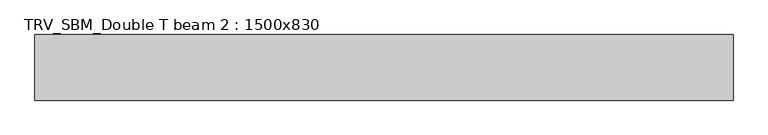
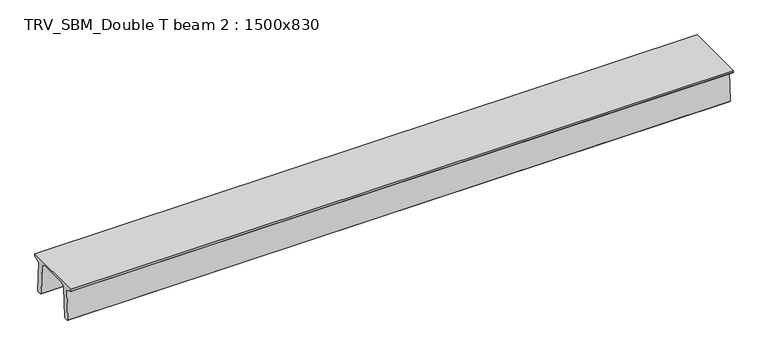
"""IFC4 building model written with IfcOpenShell, lengths in millimetres: beam geometry, TRV_SBM_Double T beam 2 : 1500x830."""

import ifcopenshell
import ifcopenshell.guid

model = None  # the IFC model being written
_history = None  # IfcOwnerHistory: only IFC2X3 demands one
_inside = {}  # id of a spatial element -> (the spatial element, [elements in it])
_under = {}  # id of a project, library or spatial element -> (it, [spatial elements below it])
_declared = {}  # id of a project -> (the project, [libraries it declares])
_typed = {}  # id of a type object -> (the type object, [elements of that type])
_made_of = {}  # id of a material, layer set ... -> (it, [elements and type objects made of it])


def new_model(schema):
    """Start an empty IFC model of exactly this schema.

    Asked for "IFC4X3", IfcOpenShell would pick the latest addendum, in which some entities
    have other attributes; the version numbers below select the first issue.
    IFC2X3 requires an IfcOwnerHistory on every rooted entity: one is made here for all.
    """
    global model, _history
    if schema == "IFC4X3":
        model = ifcopenshell.file(schema_version=(4, 3, 0, 0))
    else:
        model = ifcopenshell.file(schema=schema)
    _inside.clear()
    _under.clear()
    _declared.clear()
    _typed.clear()
    _made_of.clear()
    _history = None
    if model.schema == "IFC2X3":
        org = make("IfcOrganization", Name="unknown")
        user = make(
            "IfcPersonAndOrganization",
            ThePerson=make("IfcPerson", FamilyName="unknown"),
            TheOrganization=org,
        )
        app = make(
            "IfcApplication",
            ApplicationDeveloper=org,
            Version="unknown",
            ApplicationFullName="unknown",
            ApplicationIdentifier="unknown",
        )
        _history = make(
            "IfcOwnerHistory",
            OwningUser=user,
            OwningApplication=app,
            ChangeAction="ADDED",
            CreationDate=0,
        )
    return model


def make(cls, **values):
    """One entity of the class cls with the attributes given. An attribute that is None is left unset."""
    return model.create_entity(
        cls, **{name: value for name, value in values.items() if value is not None}
    )


def rooted(cls, **values):
    """An entity with a GlobalId (a new one), such as an element, a storey or a relation."""
    return make(cls, GlobalId=ifcopenshell.guid.new(), OwnerHistory=_history, **values)


def si_unit(unit_type, name, prefix=None):
    """IfcSIUnit, for example si_unit("LENGTHUNIT", "METRE", prefix="MILLI")."""
    return make("IfcSIUnit", UnitType=unit_type, Prefix=prefix, Name=name)


def assignment(units):
    """IfcUnitAssignment: the units of a project."""
    return None if units is None else make("IfcUnitAssignment", Units=units)


def point(xyz):
    """IfcCartesianPoint."""
    return None if xyz is None else make("IfcCartesianPoint", Coordinates=xyz)


def direction(xyz):
    """IfcDirection."""
    return None if xyz is None else make("IfcDirection", DirectionRatios=xyz)


def frame(location, z_axis=None, x_axis=None):
    """IfcAxis2Placement3D, a coordinate frame: its origin and axes. An axis left out is left unset."""
    return make(
        "IfcAxis2Placement3D",
        Location=point(location),
        Axis=direction(z_axis),
        RefDirection=direction(x_axis),
    )


def origin():
    """The frame at (0, 0, 0) with its axes left unset."""
    return frame((0.0, 0.0, 0.0))


def place(relative_to, where):
    """IfcLocalPlacement: puts the frame where relative to a parent placement (None: the world)."""
    return make(
        "IfcLocalPlacement", PlacementRelTo=relative_to, RelativePlacement=where
    )


def context(
    kind, dimensions, precision=None, world=None, true_north=None, identifier=None
):
    """IfcGeometricRepresentationContext, for example the 3D "Model" context."""
    return make(
        "IfcGeometricRepresentationContext",
        ContextIdentifier=identifier,
        ContextType=kind,
        CoordinateSpaceDimension=dimensions,
        Precision=precision,
        WorldCoordinateSystem=world,
        TrueNorth=true_north,
    )


def project(units=None, contexts=None):
    """IfcProject with its units and contexts."""
    return rooted(
        "IfcProject",
        Name="project",
        RepresentationContexts=contexts,
        UnitsInContext=assignment(units),
    )


def spatial(cls, under=None, at=None, **own):
    """A site, building, storey or space (cls), placed at a placement, below another one or the project."""
    s = rooted(cls, ObjectPlacement=at, **own)
    if under is not None:
        _under.setdefault(under.id(), (under, []))[1].append(s)
    return s


def polyline(points):
    """IfcPolyline through the points."""
    return make("IfcPolyline", Points=[point(p) for p in points])


def outline(outer, holes=None, kind="AREA"):
    """IfcArbitraryClosedProfileDef: a profile drawn as a closed curve; with holes, ...WithVoids."""
    if holes is None:
        return make("IfcArbitraryClosedProfileDef", ProfileType=kind, OuterCurve=outer)
    return make(
        "IfcArbitraryProfileDefWithVoids",
        ProfileType=kind,
        OuterCurve=outer,
        InnerCurves=holes,
    )


def extrude(swept, where, along, depth):
    """IfcExtrudedAreaSolid: the profile swept, set in the frame where, extruded along a direction by depth."""
    return make(
        "IfcExtrudedAreaSolid",
        SweptArea=swept,
        Position=where,
        ExtrudedDirection=direction(along),
        Depth=depth,
    )


def shape(context_of_items, identifier, shape_type, items):
    """IfcShapeRepresentation: the items that make up one representation, for example the "Body"."""
    return make(
        "IfcShapeRepresentation",
        ContextOfItems=context_of_items,
        RepresentationIdentifier=identifier,
        RepresentationType=shape_type,
        Items=items,
    )


def source(mapping_origin, context_of_items, identifier, shape_type, items):
    """IfcRepresentationMap: a shape defined once, which mapped items show again and again."""
    return make(
        "IfcRepresentationMap",
        MappingOrigin=mapping_origin,
        MappedRepresentation=shape(context_of_items, identifier, shape_type, items),
    )


def transform(
    local_origin,
    x_axis=None,
    y_axis=None,
    z_axis=None,
    scale=None,
    scale2=None,
    scale3=None,
    uniform=True,
):
    """IfcCartesianTransformationOperator3D, or its non-uniform kind. x_axis, y_axis, z_axis: its Axis1, 2, 3."""
    if uniform:
        return make(
            "IfcCartesianTransformationOperator3D",
            Axis1=direction(x_axis),
            Axis2=direction(y_axis),
            LocalOrigin=point(local_origin),
            Scale=scale,
            Axis3=direction(z_axis),
        )
    return make(
        "IfcCartesianTransformationOperator3DnonUniform",
        Axis1=direction(x_axis),
        Axis2=direction(y_axis),
        LocalOrigin=point(local_origin),
        Scale=scale,
        Axis3=direction(z_axis),
        Scale2=scale2,
        Scale3=scale3,
    )


def mapped(mapping_source, mapping_target):
    """IfcMappedItem: shows the shape of a source again, moved by a transform."""
    return make(
        "IfcMappedItem", MappingSource=mapping_source, MappingTarget=mapping_target
    )


def made_of(thing, what):
    """Note that an element or type object is made of a material, layer set ...; save() writes the relation."""
    if what is not None:
        _made_of.setdefault(what.id(), (what, []))[1].append(thing)
    return thing


def element(
    cls,
    number,
    at=None,
    inside=None,
    cuts=None,
    type_object=None,
    material=None,
    context=None,
    identifier="Body",
    shape_type=None,
    held_by="IfcProductDefinitionShape",
    body=None,
    shapes=None,
    **own,
):
    """One element of the class cls, such as IfcWall. Its Tag is "e" and its number.

    at: its placement. inside: the storey or other place that contains it. cuts: it is an
    opening in that element (IfcRelVoidsElement). A single representation is given by context,
    identifier, shape_type and body (its items); several are given by shapes. held_by: the class
    of the entity that holds the representations. save() writes the other relations.
    """
    e = rooted(cls, Tag="e%d" % number, ObjectPlacement=at, **own)
    if body is not None:
        shapes = [shape(context, identifier, shape_type, body)]
    if shapes is not None:
        e.Representation = make(held_by, Representations=shapes)
    if inside is not None:
        _inside.setdefault(inside.id(), (inside, []))[1].append(e)
    if cuts is not None:
        rooted(
            "IfcRelVoidsElement", RelatingBuildingElement=cuts, RelatedOpeningElement=e
        )
    if type_object is not None:
        _typed.setdefault(type_object.id(), (type_object, []))[1].append(e)
    return made_of(e, material)


def aggregate(whole, parts):
    """IfcRelAggregates: a whole, such as a stair, and the parts it consists of."""
    return rooted("IfcRelAggregates", RelatingObject=whole, RelatedObjects=parts)


def save(model, path):
    """Write the relations noted so far, then the file.

    IfcRelAggregates (storeys below a building ...), IfcRelContainedInSpatialStructure (elements
    in a storey), IfcRelDefinesByType, IfcRelAssociatesMaterial and IfcRelDeclares: one each for
    every whole, place, type object, material and project.
    """
    for whole, parts in _under.values():
        aggregate(whole, parts)
    for where, things in _inside.values():
        rooted(
            "IfcRelContainedInSpatialStructure",
            RelatedElements=things,
            RelatingStructure=where,
        )
    for kind, things in _typed.values():
        rooted("IfcRelDefinesByType", RelatedObjects=things, RelatingType=kind)
    for what, things in _made_of.values():
        rooted("IfcRelAssociatesMaterial", RelatedObjects=things, RelatingMaterial=what)
    for by, libraries in _declared.values():
        rooted("IfcRelDeclares", RelatingContext=by, RelatedDefinitions=libraries)
    model.write(path)


def trv_sbm_double_t_beam_2_1500x830_4dae64cb(model_context):
    return source(origin(), model_context, "Body", "SweptSolid", [
        extrude(outline(polyline([(337.4555014, 470.0), (-343.4555014, 470.0), (-456.5828437, 409.8491251), (-494.786332, -340.5206011), (-514.2657308, -360.0), (-604.2657308, -360.0), (-624.8277662, -339.4379646), (-586.9373878, 401.9654693), (-752.8511046, 468.9989621), (-753.0, 475.0), (-753.0, 520.0), (747.0, 520.0), (747.0, 475.0), (746.8511046, 468.9989621), (580.9373878, 401.9654693), (618.8277662, -339.4379646), (598.2657308, -360.0), (508.2657308, -360.0), (488.786332, -340.5206011), (450.5828437, 409.8491251), (337.4555014, 470.0)])), frame((-7980.5, 0.0, 0.0), z_axis=(1.0, 0.0, 0.0), x_axis=(0.0, 1.0, 0.0)), (0.0, 0.0, 1.0), 15961.0),
    ])


if __name__ == "__main__":
    model = new_model("IFC4")
    model_context = context("Model", 3, world=origin())
    ifc_project = project(units=[si_unit("LENGTHUNIT", "METRE", prefix="MILLI")], contexts=[model_context])
    site = spatial("IfcSite", under=ifc_project)
    building = spatial("IfcBuilding", under=site)
    placement = place(None, origin())
    trv_sbm_double_t_beam_2_1500x830_shape = trv_sbm_double_t_beam_2_1500x830_4dae64cb(model_context)
    element("IfcBeam", 1, ObjectType="TRV_SBM_Double T beam 2 : 1500x830", at=placement, inside=building, context=model_context, shape_type="MappedRepresentation", body=[
        mapped(trv_sbm_double_t_beam_2_1500x830_shape, transform((0.0, 0.0, 0.0), x_axis=(1.0, 0.0, 0.0), y_axis=(0.0, 1.0, 0.0), z_axis=(0.0, 0.0, 1.0))),
    ])
    save(model, "model.ifc")
